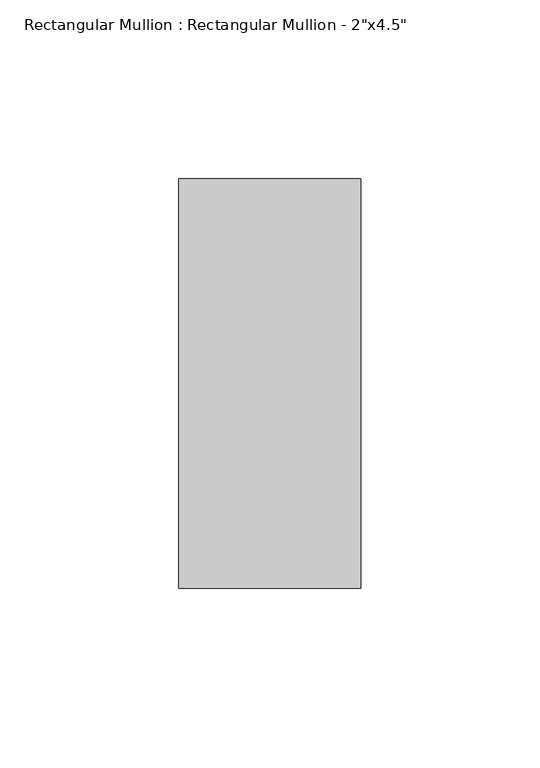
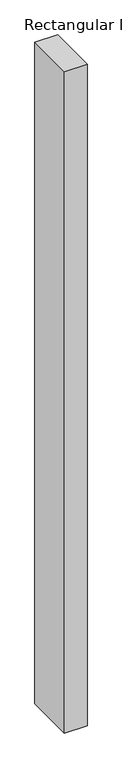
"""IFC4 building model written with IfcOpenShell, lengths in millimetres: member geometry."""

from ifc_helpers import new_model, si_unit, frame, origin, place, context, project, spatial, polyline, outline, extrude, source, transform, mapped, element, save


def member_fcd86d03(model_context):
    return source(origin(), model_context, "Body", "SweptSolid", [
        extrude(outline(polyline([(0.0, 57.15), (0.0, -57.15), (-50.8, -57.15), (-50.8, 57.15), (0.0, 57.15)])), frame((0.0, 0.0, -1565.275), z_axis=(0.0, 0.0, 1.0), x_axis=(1.0, 0.0, 0.0)), (0.0, 0.0, 1.0), 1565.275),
    ])


if __name__ == "__main__":
    model = new_model("IFC4")
    model_context = context("Model", 3, world=origin())
    ifc_project = project(units=[si_unit("LENGTHUNIT", "METRE", prefix="MILLI")], contexts=[model_context])
    site = spatial("IfcSite", under=ifc_project)
    building = spatial("IfcBuilding", under=site)
    placement = place(None, origin())
    member_shape = member_fcd86d03(model_context)
    element("IfcMember", 1, ObjectType="Rectangular Mullion : Rectangular Mullion - 2\"x4.5\"", at=placement, inside=building, context=model_context, shape_type="MappedRepresentation", body=[
        mapped(member_shape, transform((0.0, 0.0, 0.0), x_axis=(1.0, 0.0, 0.0), y_axis=(0.0, 1.0, 0.0), z_axis=(0.0, 0.0, 1.0))),
    ])
    save(model, "model.ifc")
